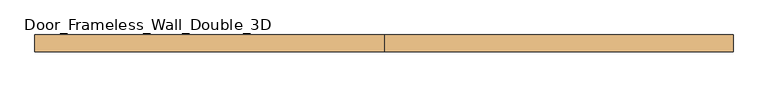
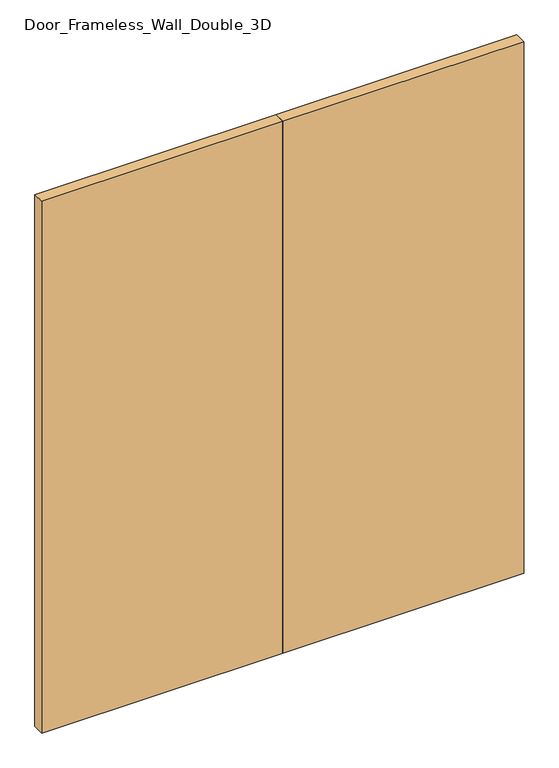
"""IFC4 building model written with IfcOpenShell, lengths in millimetres: door geometry, Door_Frameless_Wall_Double_3D."""

from ifc_helpers import new_model, si_unit, origin, origin_with_axes, place, context, project, spatial, polyline, outline, extrude, source, transform, mapped, element, save


def door_frameless_wall_double_3d_f7b82922(model_context):
    return source(origin(), model_context, "Body", "SweptSolid", [
        extrude(outline(polyline([(-914.4, -88.9), (-914.4, -44.45), (0.0, -44.45), (0.0, -88.9), (-914.4, -88.9)])), origin_with_axes(), (0.0, 0.0, 1.0), 2133.6),
        extrude(outline(polyline([(0.0, -88.9), (0.0, -44.45), (914.4, -44.45), (914.4, -88.9), (0.0, -88.9)])), origin_with_axes(), (0.0, 0.0, 1.0), 2133.6),
    ])


if __name__ == "__main__":
    model = new_model("IFC4")
    model_context = context("Model", 3, world=origin())
    ifc_project = project(units=[si_unit("LENGTHUNIT", "METRE", prefix="MILLI")], contexts=[model_context])
    site = spatial("IfcSite", under=ifc_project)
    building = spatial("IfcBuilding", under=site)
    placement = place(None, origin())
    door_frameless_wall_double_3d_shape = door_frameless_wall_double_3d_f7b82922(model_context)
    element("IfcDoor", 1, ObjectType="Door_Frameless_Wall_Double_3D", at=placement, inside=building, context=model_context, shape_type="MappedRepresentation", body=[
        mapped(door_frameless_wall_double_3d_shape, transform((0.0, 0.0, 0.0), x_axis=(1.0, 0.0, 0.0), y_axis=(0.0, 1.0, 0.0), z_axis=(0.0, 0.0, 1.0))),
    ])
    save(model, "model.ifc")
